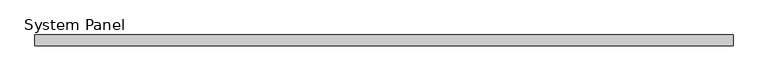
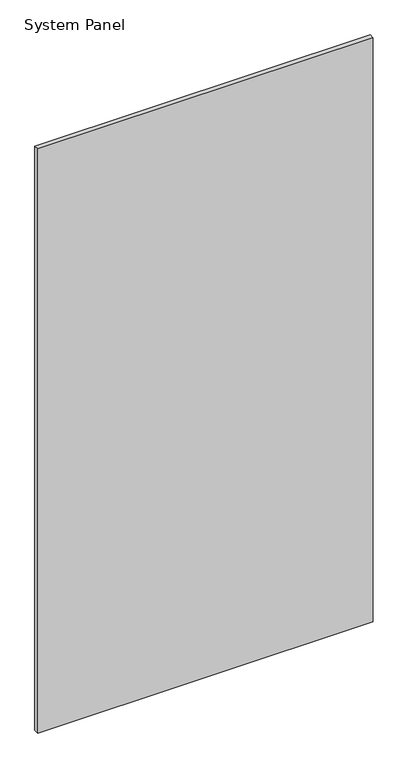
"""IFC4 building model written with IfcOpenShell, lengths in millimetres: plate geometry, System Panel."""

from ifc_helpers import new_model, si_unit, origin, origin_with_axes, place, context, project, spatial, polyline, outline, extrude, source, transform, mapped, element, save


def system_panel_7cfd41a5(model_context):
    return source(origin(), model_context, "Body", "SweptSolid", [
        extrude(outline(polyline([(652.1568387, -10.0), (-652.1568387, -10.0), (-652.1568387, 10.0), (652.1568387, 10.0), (652.1568387, -10.0)])), origin_with_axes(), (0.0, 0.0, 1.0), 2400.0),
    ])


if __name__ == "__main__":
    model = new_model("IFC4")
    model_context = context("Model", 3, world=origin())
    ifc_project = project(units=[si_unit("LENGTHUNIT", "METRE", prefix="MILLI")], contexts=[model_context])
    site = spatial("IfcSite", under=ifc_project)
    building = spatial("IfcBuilding", under=site)
    placement = place(None, origin())
    system_panel_shape = system_panel_7cfd41a5(model_context)
    element("IfcPlate", 1, ObjectType="System Panel", at=placement, inside=building, context=model_context, shape_type="MappedRepresentation", body=[
        mapped(system_panel_shape, transform((0.0, 0.0, 0.0), x_axis=(1.0, 0.0, 0.0), y_axis=(0.0, 1.0, 0.0), z_axis=(0.0, 0.0, 1.0))),
    ])
    save(model, "model.ifc")
